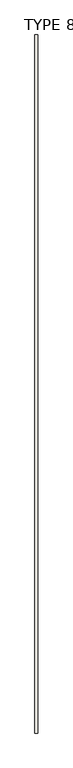
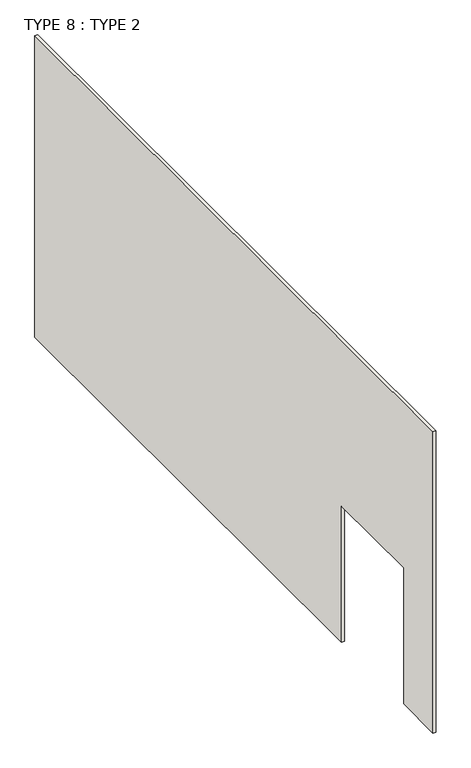
"""IFC4 building model written with IfcOpenShell, lengths in millimetres: wall geometry, TYPE 8 : TYPE 2."""

from ifc_helpers import new_model, si_unit, origin, place, context, project, spatial, faceted_brep, source, transform, mapped, element, save


def type_8_type_2_34c88695(model_context):
    return source(origin(), model_context, "Body", "Brep", [
        faceted_brep([(-49683.9440345, 25927.840365, 5403.85), (-49734.7440345, 25927.840365, 5403.85), (-49734.7440345, 14218.440365, 5403.85), (-49683.9440345, 14218.440365, 5403.85), (-49734.7440345, 25927.840365, 0.0), (-49683.9440345, 25927.840365, 0.0), (-49683.9440345, 16910.840365, 0.0), (-49734.7440345, 16910.840365, 0.0), (-49734.7440345, 16910.840365, 2438.4), (-49734.7440345, 15082.040365, 2438.4), (-49734.7440345, 15082.040365, 0.0), (-49734.7440345, 14218.440365, 0.0), (-49734.7440345, 14218.440365, 3657.6), (-49683.9440345, 14218.440365, 0.0), (-49683.9440345, 14218.440365, 3657.6), (-49683.9440345, 15082.040365, 0.0), (-49683.9440345, 15082.040365, 2438.4), (-49683.9440345, 16910.840365, 2438.4)], [[[0, 1, 2, 3]], [[4, 5, 6, 7]], [[1, 0, 5, 4]], [[2, 1, 4, 7, 8, 9, 10, 11, 12]], [[3, 2, 12, 11, 13, 14]], [[0, 3, 14, 13, 15, 16, 17, 6, 5]], [[16, 9, 8, 17]], [[17, 8, 7, 6]], [[9, 16, 15, 10]], [[13, 11, 10, 15]]]),
    ])


if __name__ == "__main__":
    model = new_model("IFC4")
    model_context = context("Model", 3, world=origin())
    ifc_project = project(units=[si_unit("LENGTHUNIT", "METRE", prefix="MILLI")], contexts=[model_context])
    site = spatial("IfcSite", under=ifc_project)
    building = spatial("IfcBuilding", under=site)
    placement = place(None, origin())
    type_8_type_2_shape = type_8_type_2_34c88695(model_context)
    element("IfcWall", 1, ObjectType="TYPE 8 : TYPE 2", at=placement, inside=building, context=model_context, shape_type="MappedRepresentation", body=[
        mapped(type_8_type_2_shape, transform((0.0, 0.0, 0.0), x_axis=(1.0, 0.0, 0.0), y_axis=(0.0, 1.0, 0.0), z_axis=(0.0, 0.0, 1.0))),
    ])
    save(model, "model.ifc")
